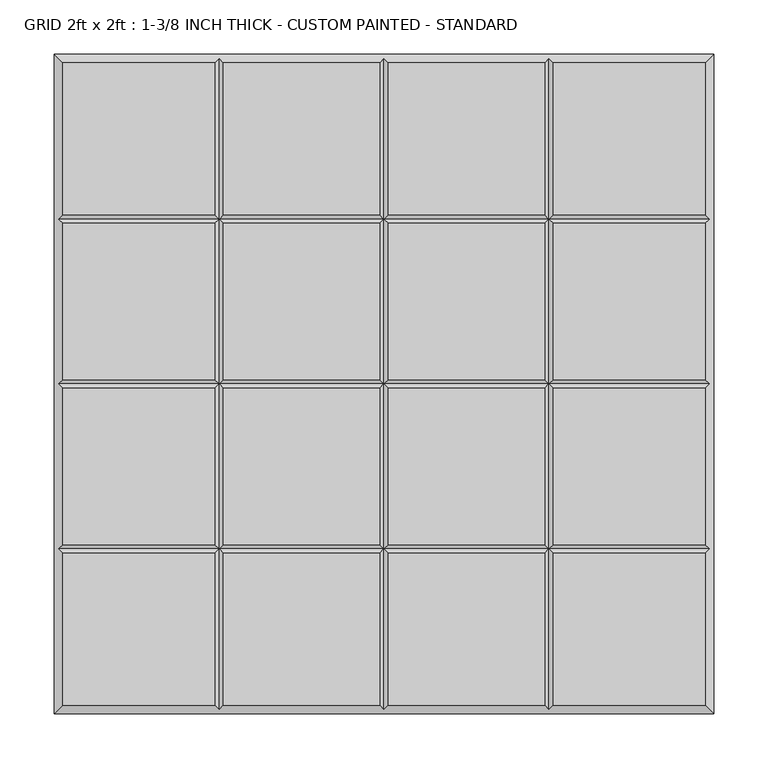
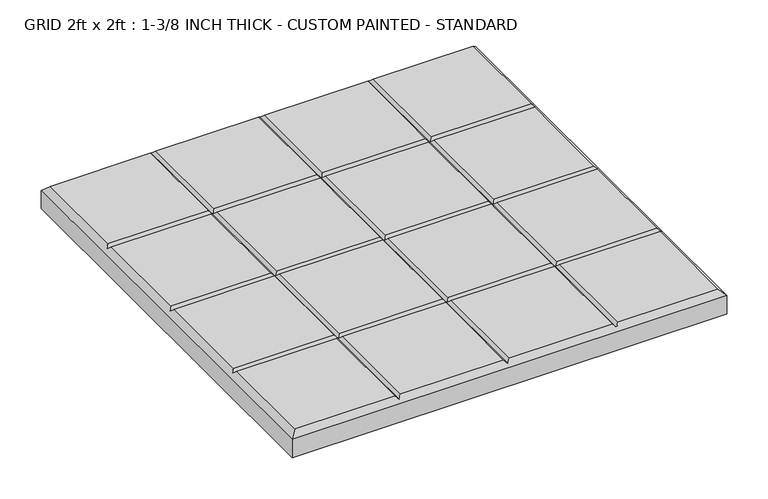
"""IFC4 building model written with IfcOpenShell, lengths in millimetres: proxy geometry, GRID 2ft x 2ft : 1-3/8 INCH THICK - CUSTOM PAINTED - STANDARD."""

from ifc_helpers import new_model, si_unit, origin, place, context, project, spatial, faceted_brep, source, transform, mapped, element, save


def grid_2ft_x_2ft_1_3_8_inch_thick_custom_painted_standard_23432c14(model_context):
    return source(origin(), model_context, "Body", "Brep", [
        faceted_brep([(-156.4009826, 296.799, 34.925), (-296.799, 296.799, 34.925), (-296.799, 156.4005254, 34.925), (-156.4009826, 156.4005254, 34.925), (-296.799, -296.799, 34.925), (-156.4009826, -296.799, 34.925), (-156.4009826, -156.4004746, 34.925), (-296.799, -156.4004746, 34.925), (-4.0004746, 296.799, 34.925), (-148.3999826, 296.799, 34.925), (-148.3999826, 156.4005254, 34.925), (-4.0004746, 156.4005254, 34.925), (-148.3999826, -296.799, 34.925), (-4.0004746, -296.799, 34.925), (-4.0004746, -156.4004746, 34.925), (-148.3999826, -156.4004746, 34.925), (296.799, 296.799, 34.925), (156.4010334, 296.799, 34.925), (156.4010334, 156.4005254, 34.925), (296.799, 156.4005254, 34.925), (148.4000334, 296.799, 34.925), (4.0005254, 296.799, 34.925), (4.0005254, 156.4005254, 34.925), (148.4000334, 156.4005254, 34.925), (156.4010334, -296.799, 34.925), (296.799, -296.799, 34.925), (296.799, -156.4004746, 34.925), (156.4010334, -156.4004746, 34.925), (4.0005254, -296.799, 34.925), (148.4000334, -296.799, 34.925), (148.4000334, -156.4004746, 34.925), (4.0005254, -156.4004746, 34.925), (-156.4009826, 148.3995254, 34.925), (-296.799, 148.3995254, 34.925), (-296.799, 4.0005254, 34.925), (-156.4009826, 4.0005254, 34.925), (296.799, 148.3995254, 34.925), (156.4010334, 148.3995254, 34.925), (156.4010334, 4.0005254, 34.925), (296.799, 4.0005254, 34.925), (-4.0004746, 148.3995254, 34.925), (-148.3999826, 148.3995254, 34.925), (-148.3999826, 4.0005254, 34.925), (-4.0004746, 4.0005254, 34.925), (148.4000334, 148.3995254, 34.925), (4.0005254, 148.3995254, 34.925), (4.0005254, 4.0005254, 34.925), (148.4000334, 4.0005254, 34.925), (-296.799, -148.3994746, 34.925), (-156.4009826, -148.3994746, 34.925), (-156.4009826, -4.0004746, 34.925), (-296.799, -4.0004746, 34.925), (-148.3999826, -148.3994746, 34.925), (-4.0004746, -148.3994746, 34.925), (-4.0004746, -4.0004746, 34.925), (-148.3999826, -4.0004746, 34.925), (156.4010334, -148.3994746, 34.925), (296.799, -148.3994746, 34.925), (296.799, -4.0004746, 34.925), (156.4010334, -4.0004746, 34.925), (4.0005254, -148.3994746, 34.925), (148.4000334, -148.3994746, 34.925), (148.4000334, -4.0004746, 34.925), (4.0005254, -4.0004746, 34.925), (-304.8, 304.8, 0.0), (304.8, 304.8, 0.0), (304.8, -304.8, 0.0), (-304.8, -304.8, 0.0), (-304.8, -304.8, 26.924), (-304.8, 304.8, 26.924), (304.8, -304.8, 26.924), (304.8, 304.8, 26.924), (-152.4004826, 300.7995, 30.9245), (2.54e-05, 300.7995, 30.9245), (152.4005334, 300.7995, 30.9245), (-300.7995, -152.3999746, 30.9245), (-300.7995, 2.54e-05, 30.9245), (-300.7995, 152.4000254, 30.9245), (152.4005334, -300.7995, 30.9245), (2.54e-05, -300.7995, 30.9245), (-152.4004826, -300.7995, 30.9245), (300.7995, 152.4000254, 30.9245), (300.7995, 2.54e-05, 30.9245), (300.7995, -152.3999746, 30.9245), (-152.4004826, 152.4000254, 30.9245), (-152.4004826, -152.3999746, 30.9245), (-152.4004826, 2.54e-05, 30.9245), (2.54e-05, 152.4000254, 30.9245), (2.54e-05, -152.3999746, 30.9245), (2.54e-05, 2.54e-05, 30.9245), (152.4005334, 152.4000254, 30.9245), (152.4005334, -152.3999746, 30.9245), (152.4005334, 2.54e-05, 30.9245)], [[[0, 1, 2, 3]], [[4, 5, 6, 7]], [[8, 9, 10, 11]], [[12, 13, 14, 15]], [[16, 17, 18, 19]], [[20, 21, 22, 23]], [[24, 25, 26, 27]], [[28, 29, 30, 31]], [[32, 33, 34, 35]], [[36, 37, 38, 39]], [[40, 41, 42, 43]], [[44, 45, 46, 47]], [[48, 49, 50, 51]], [[52, 53, 54, 55]], [[56, 57, 58, 59]], [[60, 61, 62, 63]], [[64, 65, 66, 67]], [[64, 67, 68, 69]], [[67, 66, 70, 68]], [[66, 65, 71, 70]], [[65, 64, 69, 71]], [[69, 1, 0, 72, 9, 8, 73, 21, 20, 74, 17, 16, 71]], [[1, 69, 68, 4, 7, 75, 48, 51, 76, 34, 33, 77, 2]], [[4, 68, 70, 25, 24, 78, 29, 28, 79, 13, 12, 80, 5]], [[71, 16, 19, 81, 36, 39, 82, 58, 57, 83, 26, 25, 70]], [[9, 72, 84, 10]], [[80, 12, 15, 85]], [[41, 84, 86, 42]], [[85, 52, 55, 86]], [[72, 0, 3, 84]], [[5, 80, 85, 6]], [[84, 32, 35, 86]], [[49, 85, 86, 50]], [[21, 73, 87, 22]], [[79, 28, 31, 88]], [[45, 87, 89, 46]], [[88, 60, 63, 89]], [[73, 8, 11, 87]], [[13, 79, 88, 14]], [[87, 40, 43, 89]], [[53, 88, 89, 54]], [[17, 74, 90, 18]], [[78, 24, 27, 91]], [[37, 90, 92, 38]], [[91, 56, 59, 92]], [[74, 20, 23, 90]], [[29, 78, 91, 30]], [[90, 44, 47, 92]], [[61, 91, 92, 62]], [[87, 84, 41, 40]], [[90, 87, 45, 44]], [[84, 77, 33, 32]], [[81, 90, 37, 36]], [[84, 87, 11, 10]], [[87, 90, 23, 22]], [[77, 84, 3, 2]], [[90, 81, 19, 18]], [[88, 85, 15, 14]], [[91, 88, 31, 30]], [[85, 75, 7, 6]], [[83, 91, 27, 26]], [[85, 88, 53, 52]], [[88, 91, 61, 60]], [[75, 85, 49, 48]], [[91, 83, 57, 56]], [[89, 86, 55, 54]], [[92, 89, 63, 62]], [[86, 76, 51, 50]], [[82, 92, 59, 58]], [[86, 89, 43, 42]], [[89, 92, 47, 46]], [[76, 86, 35, 34]], [[92, 82, 39, 38]]]),
    ])


if __name__ == "__main__":
    model = new_model("IFC4")
    model_context = context("Model", 3, world=origin())
    ifc_project = project(units=[si_unit("LENGTHUNIT", "METRE", prefix="MILLI")], contexts=[model_context])
    site = spatial("IfcSite", under=ifc_project)
    building = spatial("IfcBuilding", under=site)
    placement = place(None, origin())
    grid_2ft_x_2ft_1_3_8_inch_thick_custom_painted_standard_shape = grid_2ft_x_2ft_1_3_8_inch_thick_custom_painted_standard_23432c14(model_context)
    element("IfcBuildingElementProxy", 1, Name="GRID 2ft x 2ft : 1-3/8 INCH THICK - CUSTOM PAINTED - STANDARD", ObjectType="GRID 2ft x 2ft : 1-3/8 INCH THICK - CUSTOM PAINTED - STANDARD", at=placement, inside=building, context=model_context, shape_type="MappedRepresentation", body=[
        mapped(grid_2ft_x_2ft_1_3_8_inch_thick_custom_painted_standard_shape, transform((0.0, 0.0, 0.0), x_axis=(1.0, 0.0, 0.0), y_axis=(0.0, 1.0, 0.0), z_axis=(0.0, 0.0, 1.0))),
    ])
    save(model, "model.ifc")
